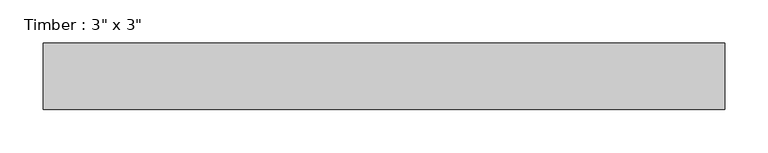
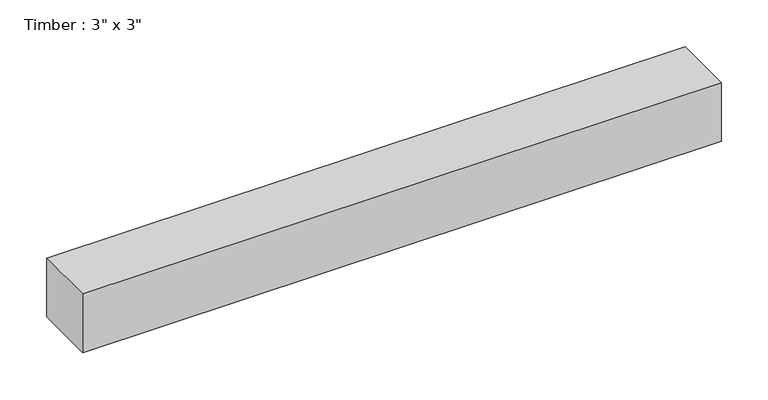
"""IFC4 building model written with IfcOpenShell, lengths in millimetres: beam geometry."""

from ifc_helpers import new_model, si_unit, frame, origin, place, context, project, spatial, polyline, outline, extrude, source, transform, mapped, element, save


def beam_c6802c44(model_context):
    return source(origin(), model_context, "Body", "SweptSolid", [
        extrude(outline(polyline([(392.1125, 38.1), (392.1125, -38.1), (-392.1125, -38.1), (-392.1125, 38.1), (392.1125, 38.1)])), frame((0.0, 0.0, -38.1), z_axis=(0.0, 0.0, 1.0), x_axis=(1.0, 0.0, 0.0)), (0.0, 0.0, 1.0), 76.2),
    ])


if __name__ == "__main__":
    model = new_model("IFC4")
    model_context = context("Model", 3, world=origin())
    ifc_project = project(units=[si_unit("LENGTHUNIT", "METRE", prefix="MILLI")], contexts=[model_context])
    site = spatial("IfcSite", under=ifc_project)
    building = spatial("IfcBuilding", under=site)
    placement = place(None, origin())
    beam_shape = beam_c6802c44(model_context)
    element("IfcBeam", 1, ObjectType="Timber : 3\" x 3\"", at=placement, inside=building, context=model_context, shape_type="MappedRepresentation", body=[
        mapped(beam_shape, transform((0.0, 0.0, 0.0), x_axis=(1.0, 0.0, 0.0), y_axis=(0.0, 1.0, 0.0), z_axis=(0.0, 0.0, 1.0))),
    ])
    save(model, "model.ifc")
